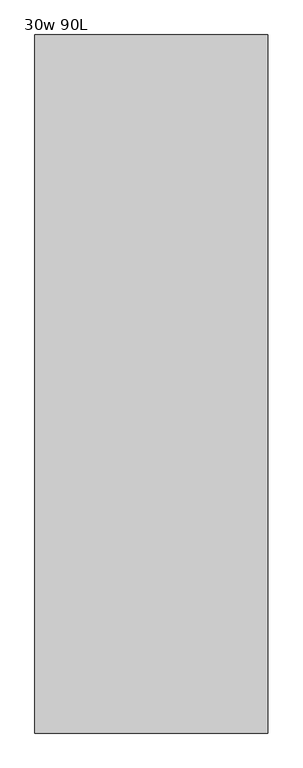
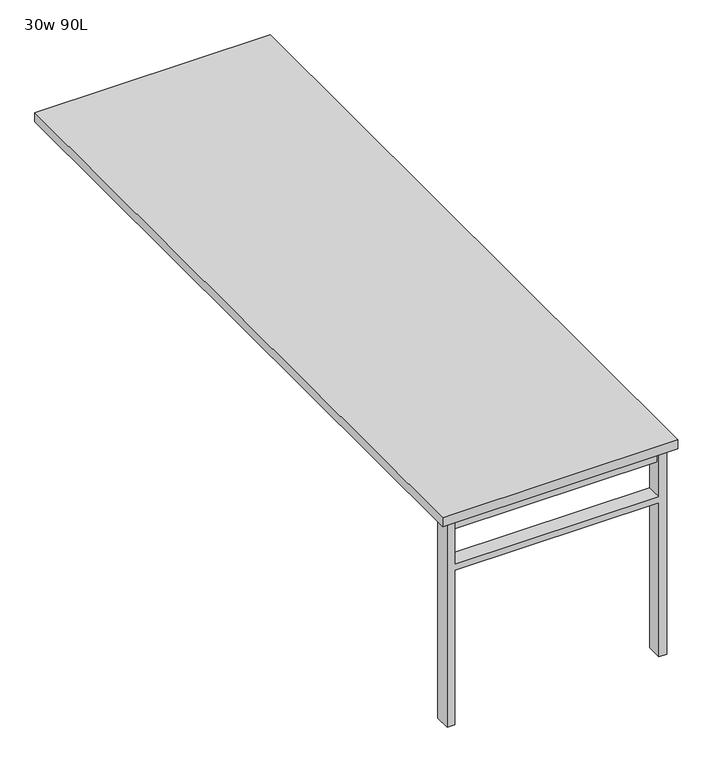
"""IFC4 building model written with IfcOpenShell, lengths in millimetres: furniture geometry, 30w 90L."""

from ifc_helpers import new_model, si_unit, frame, origin, place, context, project, spatial, polyline, outline, extrude, source, transform, mapped, element, save


def furniture_30w_90l_b0a6d681(model_context):
    return source(origin(), model_context, "Body", "SweptSolid", [
        extrude(outline(polyline([(-330.2, -1082.675), (330.2, -1082.675), (330.2, -1114.425), (-330.2, -1114.425), (-330.2, -1082.675)])), frame((0.0, 0.0, 661.9875), z_axis=(0.0, 0.0, 1.0), x_axis=(1.0, 0.0, 0.0)), (0.0, 0.0, 1.0), 44.45),
        extrude(outline(polyline([(528.6375, 330.2), (0.0, 330.2), (0.0, 355.6), (706.4375, 355.6), (706.4375, 330.2), (547.6875, 330.2), (547.6875, -330.2), (706.4375, -330.2), (706.4375, -355.6), (0.0, -355.6), (0.0, -330.2), (528.6375, -330.2), (528.6375, 330.2)])), frame((0.0, -1123.95, 0.0), z_axis=(0.0, 1.0, 0.0), x_axis=(0.0, 0.0, 1.0)), (0.0, 0.0, 1.0), 50.8),
        extrude(outline(polyline([(-381.0, -1143.0), (-381.0, 1143.0), (381.0, 1143.0), (381.0, -1143.0), (-381.0, -1143.0)])), frame((0.0, 0.0, 706.4375), z_axis=(0.0, 0.0, 1.0), x_axis=(1.0, 0.0, 0.0)), (0.0, 0.0, 1.0), 30.1625),
    ])


if __name__ == "__main__":
    model = new_model("IFC4")
    model_context = context("Model", 3, world=origin())
    ifc_project = project(units=[si_unit("LENGTHUNIT", "METRE", prefix="MILLI")], contexts=[model_context])
    site = spatial("IfcSite", under=ifc_project)
    building = spatial("IfcBuilding", under=site)
    placement = place(None, origin())
    furniture_30w_90l_shape = furniture_30w_90l_b0a6d681(model_context)
    element("IfcFurniture", 1, ObjectType="30w 90L", at=placement, inside=building, context=model_context, shape_type="MappedRepresentation", body=[
        mapped(furniture_30w_90l_shape, transform((0.0, 0.0, 0.0), x_axis=(1.0, 0.0, 0.0), y_axis=(0.0, 1.0, 0.0), z_axis=(0.0, 0.0, 1.0))),
    ])
    save(model, "model.ifc")
